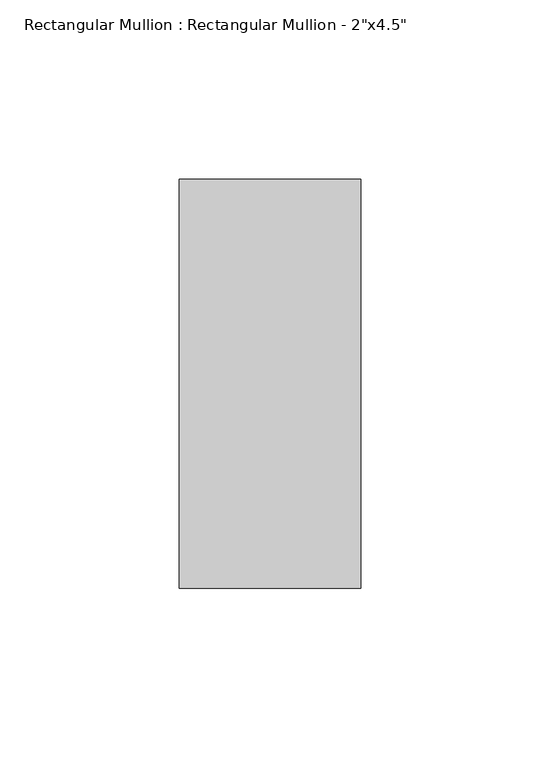
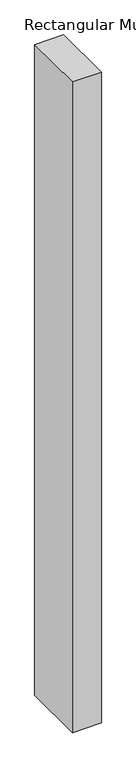
"""IFC4 building model written with IfcOpenShell, lengths in millimetres: member geometry."""

from ifc_helpers import new_model, si_unit, frame, origin, place, context, project, spatial, polyline, outline, extrude, source, transform, mapped, element, save


def member_ea7fe68d(model_context):
    return source(origin(), model_context, "Body", "SweptSolid", [
        extrude(outline(polyline([(0.0, 57.15), (0.0, -57.15), (-50.8, -57.15), (-50.8, 57.15), (0.0, 57.15)])), frame((0.0, 0.0, -1206.5), z_axis=(0.0, 0.0, 1.0), x_axis=(1.0, 0.0, 0.0)), (0.0, 0.0, 1.0), 1206.5),
    ])


if __name__ == "__main__":
    model = new_model("IFC4")
    model_context = context("Model", 3, world=origin())
    ifc_project = project(units=[si_unit("LENGTHUNIT", "METRE", prefix="MILLI")], contexts=[model_context])
    site = spatial("IfcSite", under=ifc_project)
    building = spatial("IfcBuilding", under=site)
    placement = place(None, origin())
    member_shape = member_ea7fe68d(model_context)
    element("IfcMember", 1, ObjectType="Rectangular Mullion : Rectangular Mullion - 2\"x4.5\"", at=placement, inside=building, context=model_context, shape_type="MappedRepresentation", body=[
        mapped(member_shape, transform((0.0, 0.0, 0.0), x_axis=(1.0, 0.0, 0.0), y_axis=(0.0, 1.0, 0.0), z_axis=(0.0, 0.0, 1.0))),
    ])
    save(model, "model.ifc")
